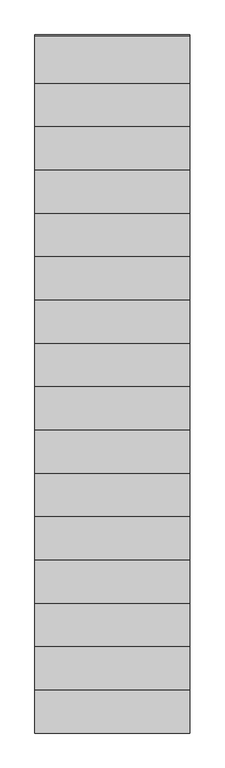
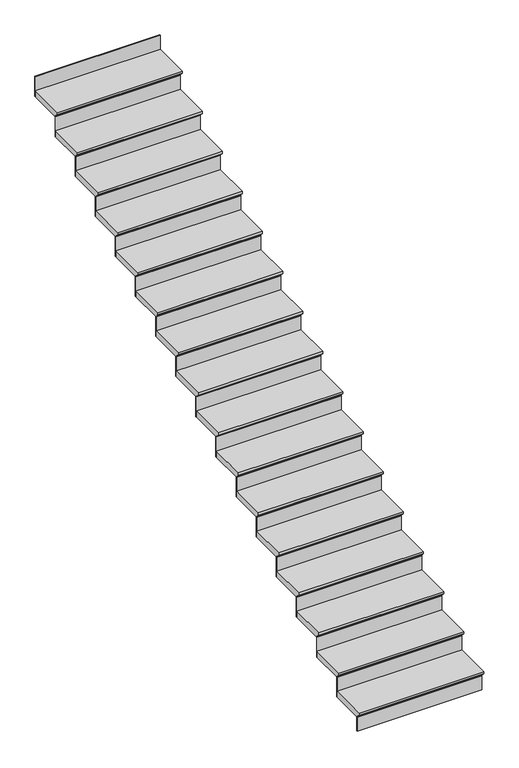
"""IFC4 building model written with IfcOpenShell, lengths in millimetres: stair flight geometry."""

from ifc_helpers import new_model, si_unit, frame, origin, place, context, project, spatial, polyline, outline, extrude, source, transform, mapped, element, save


def stair_flight_e37be07c(model_context):
    return source(origin(), model_context, "Body", "SweptSolid", [
        extrude(outline(polyline([(-6658.8932588, 570.0), (-6354.0932588, 570.0), (-6354.0932588, 519.2), (-6633.4932588, 519.2), (-6633.4932588, 525.55), (-6658.8932588, 550.95), (-6658.8932588, 570.0)])), frame((2746.8131281, 0.0, 0.0), z_axis=(1.0, 0.0, 0.0), x_axis=(0.0, 1.0, 0.0)), (0.0, 0.0, 1.0), 1000.0),
        extrude(outline(polyline([(3746.8131281, -6627.1432588), (3746.8131281, -6633.4932588), (2746.8131281, -6633.4932588), (2746.8131281, -6627.1432588), (3746.8131281, -6627.1432588)])), frame((0.0, 0.0, 400.0), z_axis=(0.0, 0.0, 1.0), x_axis=(1.0, 0.0, 0.0)), (0.0, 0.0, 1.0), 119.2),
        extrude(outline(polyline([(-6379.4932588, 740.0), (-6074.6932588, 740.0), (-6074.6932588, 689.2), (-6354.0932588, 689.2), (-6354.0932588, 695.55), (-6379.4932588, 720.95), (-6379.4932588, 740.0)])), frame((2746.8131281, 0.0, 0.0), z_axis=(1.0, 0.0, 0.0), x_axis=(0.0, 1.0, 0.0)), (0.0, 0.0, 1.0), 1000.0),
        extrude(outline(polyline([(3746.8131281, -6347.7432588), (3746.8131281, -6354.0932588), (2746.8131281, -6354.0932588), (2746.8131281, -6347.7432588), (3746.8131281, -6347.7432588)])), frame((0.0, 0.0, 519.2), z_axis=(0.0, 0.0, 1.0), x_axis=(1.0, 0.0, 0.0)), (0.0, 0.0, 1.0), 170.0),
        extrude(outline(polyline([(-6100.0932588, 910.0), (-5795.2932588, 910.0), (-5795.2932588, 859.2), (-6074.6932588, 859.2), (-6074.6932588, 865.55), (-6100.0932588, 890.95), (-6100.0932588, 910.0)])), frame((2746.8131281, 0.0, 0.0), z_axis=(1.0, 0.0, 0.0), x_axis=(0.0, 1.0, 0.0)), (0.0, 0.0, 1.0), 1000.0),
        extrude(outline(polyline([(3746.8131281, -6068.3432588), (3746.8131281, -6074.6932588), (2746.8131281, -6074.6932588), (2746.8131281, -6068.3432588), (3746.8131281, -6068.3432588)])), frame((0.0, 0.0, 689.2), z_axis=(0.0, 0.0, 1.0), x_axis=(1.0, 0.0, 0.0)), (0.0, 0.0, 1.0), 170.0),
        extrude(outline(polyline([(-5820.6932588, 1080.0), (-5515.8932588, 1080.0), (-5515.8932588, 1029.2), (-5795.2932588, 1029.2), (-5795.2932588, 1035.55), (-5820.6932588, 1060.95), (-5820.6932588, 1080.0)])), frame((2746.8131281, 0.0, 0.0), z_axis=(1.0, 0.0, 0.0), x_axis=(0.0, 1.0, 0.0)), (0.0, 0.0, 1.0), 1000.0),
        extrude(outline(polyline([(3746.8131281, -5788.9432588), (3746.8131281, -5795.2932588), (2746.8131281, -5795.2932588), (2746.8131281, -5788.9432588), (3746.8131281, -5788.9432588)])), frame((0.0, 0.0, 859.2), z_axis=(0.0, 0.0, 1.0), x_axis=(1.0, 0.0, 0.0)), (0.0, 0.0, 1.0), 170.0),
        extrude(outline(polyline([(-5541.2932588, 1250.0), (-5236.4932588, 1250.0), (-5236.4932588, 1199.2), (-5515.8932588, 1199.2), (-5515.8932588, 1205.55), (-5541.2932588, 1230.95), (-5541.2932588, 1250.0)])), frame((2746.8131281, 0.0, 0.0), z_axis=(1.0, 0.0, 0.0), x_axis=(0.0, 1.0, 0.0)), (0.0, 0.0, 1.0), 1000.0),
        extrude(outline(polyline([(3746.8131281, -5509.5432588), (3746.8131281, -5515.8932588), (2746.8131281, -5515.8932588), (2746.8131281, -5509.5432588), (3746.8131281, -5509.5432588)])), frame((0.0, 0.0, 1029.2), z_axis=(0.0, 0.0, 1.0), x_axis=(1.0, 0.0, 0.0)), (0.0, 0.0, 1.0), 170.0),
        extrude(outline(polyline([(-5261.8932588, 1420.0), (-4957.0932588, 1420.0), (-4957.0932588, 1369.2), (-5236.4932588, 1369.2), (-5236.4932588, 1375.55), (-5261.8932588, 1400.95), (-5261.8932588, 1420.0)])), frame((2746.8131281, 0.0, 0.0), z_axis=(1.0, 0.0, 0.0), x_axis=(0.0, 1.0, 0.0)), (0.0, 0.0, 1.0), 1000.0),
        extrude(outline(polyline([(3746.8131281, -5230.1432588), (3746.8131281, -5236.4932588), (2746.8131281, -5236.4932588), (2746.8131281, -5230.1432588), (3746.8131281, -5230.1432588)])), frame((0.0, 0.0, 1199.2), z_axis=(0.0, 0.0, 1.0), x_axis=(1.0, 0.0, 0.0)), (0.0, 0.0, 1.0), 170.0),
        extrude(outline(polyline([(-4982.4932588, 1590.0), (-4677.6932588, 1590.0), (-4677.6932588, 1539.2), (-4957.0932588, 1539.2), (-4957.0932588, 1545.55), (-4982.4932588, 1570.95), (-4982.4932588, 1590.0)])), frame((2746.8131281, 0.0, 0.0), z_axis=(1.0, 0.0, 0.0), x_axis=(0.0, 1.0, 0.0)), (0.0, 0.0, 1.0), 1000.0),
        extrude(outline(polyline([(3746.8131281, -4950.7432588), (3746.8131281, -4957.0932588), (2746.8131281, -4957.0932588), (2746.8131281, -4950.7432588), (3746.8131281, -4950.7432588)])), frame((0.0, 0.0, 1369.2), z_axis=(0.0, 0.0, 1.0), x_axis=(1.0, 0.0, 0.0)), (0.0, 0.0, 1.0), 170.0),
        extrude(outline(polyline([(-4703.0932588, 1760.0), (-4398.2932588, 1760.0), (-4398.2932588, 1709.2), (-4677.6932588, 1709.2), (-4677.6932588, 1715.55), (-4703.0932588, 1740.95), (-4703.0932588, 1760.0)])), frame((2746.8131281, 0.0, 0.0), z_axis=(1.0, 0.0, 0.0), x_axis=(0.0, 1.0, 0.0)), (0.0, 0.0, 1.0), 1000.0),
        extrude(outline(polyline([(3746.8131281, -4671.3432588), (3746.8131281, -4677.6932588), (2746.8131281, -4677.6932588), (2746.8131281, -4671.3432588), (3746.8131281, -4671.3432588)])), frame((0.0, 0.0, 1539.2), z_axis=(0.0, 0.0, 1.0), x_axis=(1.0, 0.0, 0.0)), (0.0, 0.0, 1.0), 170.0),
        extrude(outline(polyline([(-4423.6932588, 1930.0), (-4118.8932588, 1930.0), (-4118.8932588, 1879.2), (-4398.2932588, 1879.2), (-4398.2932588, 1885.55), (-4423.6932588, 1910.95), (-4423.6932588, 1930.0)])), frame((2746.8131281, 0.0, 0.0), z_axis=(1.0, 0.0, 0.0), x_axis=(0.0, 1.0, 0.0)), (0.0, 0.0, 1.0), 1000.0),
        extrude(outline(polyline([(3746.8131281, -4391.9432588), (3746.8131281, -4398.2932588), (2746.8131281, -4398.2932588), (2746.8131281, -4391.9432588), (3746.8131281, -4391.9432588)])), frame((0.0, 0.0, 1709.2), z_axis=(0.0, 0.0, 1.0), x_axis=(1.0, 0.0, 0.0)), (0.0, 0.0, 1.0), 170.0),
        extrude(outline(polyline([(-4144.2932588, 2100.0), (-3839.4932588, 2100.0), (-3839.4932588, 2049.2), (-4118.8932588, 2049.2), (-4118.8932588, 2055.55), (-4144.2932588, 2080.95), (-4144.2932588, 2100.0)])), frame((2746.8131281, 0.0, 0.0), z_axis=(1.0, 0.0, 0.0), x_axis=(0.0, 1.0, 0.0)), (0.0, 0.0, 1.0), 1000.0),
        extrude(outline(polyline([(3746.8131281, -4112.5432588), (3746.8131281, -4118.8932588), (2746.8131281, -4118.8932588), (2746.8131281, -4112.5432588), (3746.8131281, -4112.5432588)])), frame((0.0, 0.0, 1879.2), z_axis=(0.0, 0.0, 1.0), x_axis=(1.0, 0.0, 0.0)), (0.0, 0.0, 1.0), 170.0),
        extrude(outline(polyline([(-3864.8932588, 2270.0), (-3560.0932588, 2270.0), (-3560.0932588, 2219.2), (-3839.4932588, 2219.2), (-3839.4932588, 2225.55), (-3864.8932588, 2250.95), (-3864.8932588, 2270.0)])), frame((2746.8131281, 0.0, 0.0), z_axis=(1.0, 0.0, 0.0), x_axis=(0.0, 1.0, 0.0)), (0.0, 0.0, 1.0), 1000.0),
        extrude(outline(polyline([(3746.8131281, -3833.1432588), (3746.8131281, -3839.4932588), (2746.8131281, -3839.4932588), (2746.8131281, -3833.1432588), (3746.8131281, -3833.1432588)])), frame((0.0, 0.0, 2049.2), z_axis=(0.0, 0.0, 1.0), x_axis=(1.0, 0.0, 0.0)), (0.0, 0.0, 1.0), 170.0),
        extrude(outline(polyline([(-3585.4932588, 2440.0), (-3280.6932588, 2440.0), (-3280.6932588, 2389.2), (-3560.0932588, 2389.2), (-3560.0932588, 2395.55), (-3585.4932588, 2420.95), (-3585.4932588, 2440.0)])), frame((2746.8131281, 0.0, 0.0), z_axis=(1.0, 0.0, 0.0), x_axis=(0.0, 1.0, 0.0)), (0.0, 0.0, 1.0), 1000.0),
        extrude(outline(polyline([(3746.8131281, -3553.7432588), (3746.8131281, -3560.0932588), (2746.8131281, -3560.0932588), (2746.8131281, -3553.7432588), (3746.8131281, -3553.7432588)])), frame((0.0, 0.0, 2219.2), z_axis=(0.0, 0.0, 1.0), x_axis=(1.0, 0.0, 0.0)), (0.0, 0.0, 1.0), 170.0),
        extrude(outline(polyline([(-3306.0932588, 2610.0), (-3001.2932588, 2610.0), (-3001.2932588, 2559.2), (-3280.6932588, 2559.2), (-3280.6932588, 2565.55), (-3306.0932588, 2590.95), (-3306.0932588, 2610.0)])), frame((2746.8131281, 0.0, 0.0), z_axis=(1.0, 0.0, 0.0), x_axis=(0.0, 1.0, 0.0)), (0.0, 0.0, 1.0), 1000.0),
        extrude(outline(polyline([(3746.8131281, -3274.3432588), (3746.8131281, -3280.6932588), (2746.8131281, -3280.6932588), (2746.8131281, -3274.3432588), (3746.8131281, -3274.3432588)])), frame((0.0, 0.0, 2389.2), z_axis=(0.0, 0.0, 1.0), x_axis=(1.0, 0.0, 0.0)), (0.0, 0.0, 1.0), 170.0),
        extrude(outline(polyline([(-3026.6932588, 2780.0), (-2721.8932588, 2780.0), (-2721.8932588, 2729.2), (-3001.2932588, 2729.2), (-3001.2932588, 2735.55), (-3026.6932588, 2760.95), (-3026.6932588, 2780.0)])), frame((2746.8131281, 0.0, 0.0), z_axis=(1.0, 0.0, 0.0), x_axis=(0.0, 1.0, 0.0)), (0.0, 0.0, 1.0), 1000.0),
        extrude(outline(polyline([(3746.8131281, -2994.9432588), (3746.8131281, -3001.2932588), (2746.8131281, -3001.2932588), (2746.8131281, -2994.9432588), (3746.8131281, -2994.9432588)])), frame((0.0, 0.0, 2559.2), z_axis=(0.0, 0.0, 1.0), x_axis=(1.0, 0.0, 0.0)), (0.0, 0.0, 1.0), 170.0),
        extrude(outline(polyline([(-2747.2932588, 2950.0), (-2442.4932588, 2950.0), (-2442.4932588, 2899.2), (-2721.8932588, 2899.2), (-2721.8932588, 2905.55), (-2747.2932588, 2930.95), (-2747.2932588, 2950.0)])), frame((2746.8131281, 0.0, 0.0), z_axis=(1.0, 0.0, 0.0), x_axis=(0.0, 1.0, 0.0)), (0.0, 0.0, 1.0), 1000.0),
        extrude(outline(polyline([(3746.8131281, -2715.5432588), (3746.8131281, -2721.8932588), (2746.8131281, -2721.8932588), (2746.8131281, -2715.5432588), (3746.8131281, -2715.5432588)])), frame((0.0, 0.0, 2729.2), z_axis=(0.0, 0.0, 1.0), x_axis=(1.0, 0.0, 0.0)), (0.0, 0.0, 1.0), 170.0),
        extrude(outline(polyline([(-2467.8932588, 3120.0), (-2163.0932588, 3120.0), (-2163.0932588, 3069.2), (-2442.4932588, 3069.2), (-2442.4932588, 3075.55), (-2467.8932588, 3100.95), (-2467.8932588, 3120.0)])), frame((2746.8131281, 0.0, 0.0), z_axis=(1.0, 0.0, 0.0), x_axis=(0.0, 1.0, 0.0)), (0.0, 0.0, 1.0), 1000.0),
        extrude(outline(polyline([(3746.8131281, -2436.1432588), (3746.8131281, -2442.4932588), (2746.8131281, -2442.4932588), (2746.8131281, -2436.1432588), (3746.8131281, -2436.1432588)])), frame((0.0, 0.0, 2899.2), z_axis=(0.0, 0.0, 1.0), x_axis=(1.0, 0.0, 0.0)), (0.0, 0.0, 1.0), 170.0),
        extrude(outline(polyline([(3746.8131281, -2156.7432588), (3746.8131281, -2163.0932588), (2746.8131281, -2163.0932588), (2746.8131281, -2156.7432588), (3746.8131281, -2156.7432588)])), frame((0.0, 0.0, 3069.2), z_axis=(0.0, 0.0, 1.0), x_axis=(1.0, 0.0, 0.0)), (0.0, 0.0, 1.0), 170.0),
    ])


if __name__ == "__main__":
    model = new_model("IFC4")
    model_context = context("Model", 3, world=origin())
    ifc_project = project(units=[si_unit("LENGTHUNIT", "METRE", prefix="MILLI")], contexts=[model_context])
    site = spatial("IfcSite", under=ifc_project)
    building = spatial("IfcBuilding", under=site)
    placement = place(None, origin())
    stair_flight_shape = stair_flight_e37be07c(model_context)
    element("IfcStairFlight", 1, at=placement, inside=building, context=model_context, shape_type="MappedRepresentation", body=[
        mapped(stair_flight_shape, transform((0.0, 0.0, 0.0), x_axis=(1.0, 0.0, 0.0), y_axis=(0.0, 1.0, 0.0), z_axis=(0.0, 0.0, 1.0))),
    ])
    save(model, "model.ifc")
